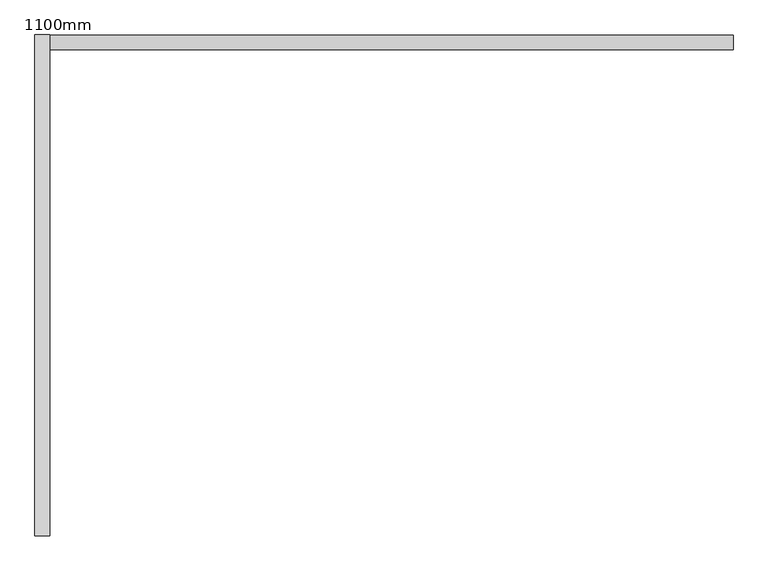
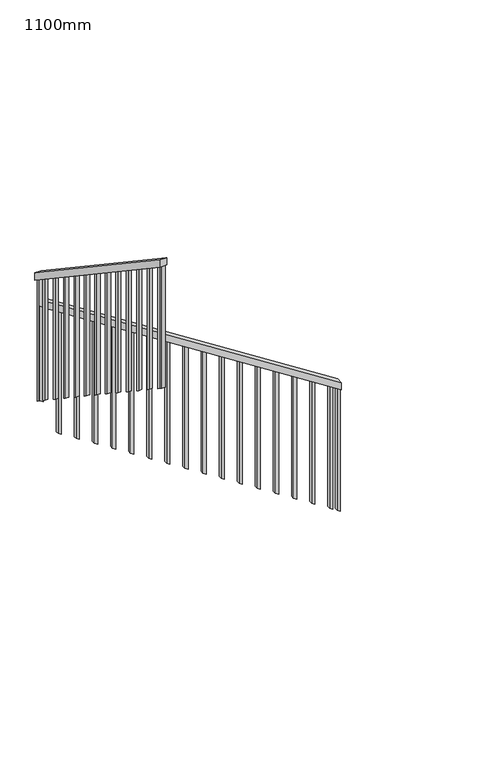
"""IFC4 building model written with IfcOpenShell, lengths in millimetres: railing geometry, 1100mm."""

from ifc_helpers import new_model, si_unit, frame, origin, place, context, project, spatial, polyline, outline, extrude, source, transform, mapped, element, save


def railing_1100mm_c1695242(model_context):
    return source(origin(), model_context, "Body", "SweptSolid", [
        extrude(outline(polyline([(1228.1090522, -6426.1615076), (1287.5, -6426.1615076), (2755.4487179, -8716.1615076), (2696.0577701, -8716.1615076), (1228.1090522, -6426.1615076)])), frame((0.0, 12937.5886579, 0.0), z_axis=(0.0, 1.0, 0.0), x_axis=(0.0, 0.0, 1.0)), (0.0, 0.0, 1.0), 50.0),
        extrude(outline(polyline([(12987.5886579, 2975.0), (12987.5886579, 2914.8248067), (11307.5886579, 4039.8248067), (11307.5886579, 4100.0), (12987.5886579, 2975.0)])), frame((-8766.1615076, 0.0, 0.0), z_axis=(1.0, 0.0, 0.0), x_axis=(0.0, 1.0, 0.0)), (0.0, 0.0, 1.0), 50.0),
        extrude(outline(polyline([(11365.0886579, 3007.3975303), (11340.0886579, 3024.1386017), (11340.0886579, 4018.0614138), (11365.0886579, 4001.3203424), (11365.0886579, 3007.3975303)])), frame((-8753.6615076, 0.0, 0.0), z_axis=(1.0, 0.0, 0.0), x_axis=(0.0, 1.0, 0.0)), (0.0, 0.0, 1.0), 25.0),
        extrude(outline(polyline([(11505.0886579, 2913.6475303), (11480.0886579, 2930.3886017), (11480.0886579, 3924.3114138), (11505.0886579, 3907.5703424), (11505.0886579, 2913.6475303)])), frame((-8753.6615076, 0.0, 0.0), z_axis=(1.0, 0.0, 0.0), x_axis=(0.0, 1.0, 0.0)), (0.0, 0.0, 1.0), 25.0),
        extrude(outline(polyline([(11645.0886579, 2819.8975303), (11620.0886579, 2836.6386017), (11620.0886579, 3830.5614138), (11645.0886579, 3813.8203424), (11645.0886579, 2819.8975303)])), frame((-8753.6615076, 0.0, 0.0), z_axis=(1.0, 0.0, 0.0), x_axis=(0.0, 1.0, 0.0)), (0.0, 0.0, 1.0), 25.0),
        extrude(outline(polyline([(11785.0886579, 2726.1475303), (11760.0886579, 2742.8886017), (11760.0886579, 3736.8114138), (11785.0886579, 3720.0703424), (11785.0886579, 2726.1475303)])), frame((-8753.6615076, 0.0, 0.0), z_axis=(1.0, 0.0, 0.0), x_axis=(0.0, 1.0, 0.0)), (0.0, 0.0, 1.0), 25.0),
        extrude(outline(polyline([(11925.0886579, 2632.3975303), (11900.0886579, 2649.1386017), (11900.0886579, 3643.0614138), (11925.0886579, 3626.3203424), (11925.0886579, 2632.3975303)])), frame((-8753.6615076, 0.0, 0.0), z_axis=(1.0, 0.0, 0.0), x_axis=(0.0, 1.0, 0.0)), (0.0, 0.0, 1.0), 25.0),
        extrude(outline(polyline([(12065.0886579, 2538.6475303), (12040.0886579, 2555.3886017), (12040.0886579, 3549.3114138), (12065.0886579, 3532.5703424), (12065.0886579, 2538.6475303)])), frame((-8753.6615076, 0.0, 0.0), z_axis=(1.0, 0.0, 0.0), x_axis=(0.0, 1.0, 0.0)), (0.0, 0.0, 1.0), 25.0),
        extrude(outline(polyline([(12205.0886579, 2444.8975303), (12180.0886579, 2461.6386017), (12180.0886579, 3455.5614138), (12205.0886579, 3438.8203424), (12205.0886579, 2444.8975303)])), frame((-8753.6615076, 0.0, 0.0), z_axis=(1.0, 0.0, 0.0), x_axis=(0.0, 1.0, 0.0)), (0.0, 0.0, 1.0), 25.0),
        extrude(outline(polyline([(12345.0886579, 2351.1475303), (12320.0886579, 2367.8886017), (12320.0886579, 3361.8114138), (12345.0886579, 3345.0703424), (12345.0886579, 2351.1475303)])), frame((-8753.6615076, 0.0, 0.0), z_axis=(1.0, 0.0, 0.0), x_axis=(0.0, 1.0, 0.0)), (0.0, 0.0, 1.0), 25.0),
        extrude(outline(polyline([(12485.0886579, 2257.3975303), (12460.0886579, 2274.1386017), (12460.0886579, 3268.0614138), (12485.0886579, 3251.3203424), (12485.0886579, 2257.3975303)])), frame((-8753.6615076, 0.0, 0.0), z_axis=(1.0, 0.0, 0.0), x_axis=(0.0, 1.0, 0.0)), (0.0, 0.0, 1.0), 25.0),
        extrude(outline(polyline([(12625.0886579, 2163.6475303), (12600.0886579, 2180.3886017), (12600.0886579, 3174.3114138), (12625.0886579, 3157.5703424), (12625.0886579, 2163.6475303)])), frame((-8753.6615076, 0.0, 0.0), z_axis=(1.0, 0.0, 0.0), x_axis=(0.0, 1.0, 0.0)), (0.0, 0.0, 1.0), 25.0),
        extrude(outline(polyline([(12765.0886579, 2069.8975303), (12740.0886579, 2086.6386017), (12740.0886579, 3080.5614138), (12765.0886579, 3063.8203424), (12765.0886579, 2069.8975303)])), frame((-8753.6615076, 0.0, 0.0), z_axis=(1.0, 0.0, 0.0), x_axis=(0.0, 1.0, 0.0)), (0.0, 0.0, 1.0), 25.0),
        extrude(outline(polyline([(12905.0886579, 1976.1475303), (12880.0886579, 1992.8886017), (12880.0886579, 2986.8114138), (12905.0886579, 2970.0703424), (12905.0886579, 1976.1475303)])), frame((-8753.6615076, 0.0, 0.0), z_axis=(1.0, 0.0, 0.0), x_axis=(0.0, 1.0, 0.0)), (0.0, 0.0, 1.0), 25.0),
        extrude(outline(polyline([(2700.8654625, -8723.6615076), (2716.8911035, -8748.6615076), (1946.0136017, -8748.6615076), (1929.2725303, -8723.6615076), (2700.8654625, -8723.6615076)])), frame((0.0, 12950.0886579, 0.0), z_axis=(0.0, 1.0, 0.0), x_axis=(0.0, 0.0, 1.0)), (0.0, 0.0, 1.0), 25.0),
        extrude(outline(polyline([(2611.1218727, -8583.6615076), (2627.1475137, -8608.6615076), (1629.1944857, -8608.6615076), (1613.1688447, -8583.6615076), (2611.1218727, -8583.6615076)])), frame((0.0, 12950.0886579, 0.0), z_axis=(0.0, 1.0, 0.0), x_axis=(0.0, 0.0, 1.0)), (0.0, 0.0, 1.0), 25.0),
        extrude(outline(polyline([(2521.378283, -8443.6615076), (2537.403924, -8468.6615076), (1539.450896, -8468.6615076), (1523.425255, -8443.6615076), (2521.378283, -8443.6615076)])), frame((0.0, 12950.0886579, 0.0), z_axis=(0.0, 1.0, 0.0), x_axis=(0.0, 0.0, 1.0)), (0.0, 0.0, 1.0), 25.0),
        extrude(outline(polyline([(2431.6346932, -8303.6615076), (2447.6603342, -8328.6615076), (1449.7073062, -8328.6615076), (1433.6816652, -8303.6615076), (2431.6346932, -8303.6615076)])), frame((0.0, 12950.0886579, 0.0), z_axis=(0.0, 1.0, 0.0), x_axis=(0.0, 0.0, 1.0)), (0.0, 0.0, 1.0), 25.0),
        extrude(outline(polyline([(2341.8911035, -8163.6615076), (2357.9167445, -8188.6615076), (1359.9637165, -8188.6615076), (1343.9380755, -8163.6615076), (2341.8911035, -8163.6615076)])), frame((0.0, 12950.0886579, 0.0), z_axis=(0.0, 1.0, 0.0), x_axis=(0.0, 0.0, 1.0)), (0.0, 0.0, 1.0), 25.0),
        extrude(outline(polyline([(2252.1475137, -8023.6615076), (2268.1731548, -8048.6615076), (1270.2201268, -8048.6615076), (1254.1944857, -8023.6615076), (2252.1475137, -8023.6615076)])), frame((0.0, 12950.0886579, 0.0), z_axis=(0.0, 1.0, 0.0), x_axis=(0.0, 0.0, 1.0)), (0.0, 0.0, 1.0), 25.0),
        extrude(outline(polyline([(2162.403924, -7883.6615076), (2178.429565, -7908.6615076), (1180.476537, -7908.6615076), (1164.450896, -7883.6615076), (2162.403924, -7883.6615076)])), frame((0.0, 12950.0886579, 0.0), z_axis=(0.0, 1.0, 0.0), x_axis=(0.0, 0.0, 1.0)), (0.0, 0.0, 1.0), 25.0),
        extrude(outline(polyline([(2072.6603342, -7743.6615076), (2088.6859753, -7768.6615076), (1090.7329473, -7768.6615076), (1074.7073062, -7743.6615076), (2072.6603342, -7743.6615076)])), frame((0.0, 12950.0886579, 0.0), z_axis=(0.0, 1.0, 0.0), x_axis=(0.0, 0.0, 1.0)), (0.0, 0.0, 1.0), 25.0),
        extrude(outline(polyline([(1982.9167445, -7603.6615076), (1998.9423855, -7628.6615076), (1000.9893575, -7628.6615076), (984.9637165, -7603.6615076), (1982.9167445, -7603.6615076)])), frame((0.0, 12950.0886579, 0.0), z_axis=(0.0, 1.0, 0.0), x_axis=(0.0, 0.0, 1.0)), (0.0, 0.0, 1.0), 25.0),
        extrude(outline(polyline([(1893.1731548, -7463.6615076), (1909.1987958, -7488.6615076), (911.2457678, -7488.6615076), (895.2201268, -7463.6615076), (1893.1731548, -7463.6615076)])), frame((0.0, 12950.0886579, 0.0), z_axis=(0.0, 1.0, 0.0), x_axis=(0.0, 0.0, 1.0)), (0.0, 0.0, 1.0), 25.0),
        extrude(outline(polyline([(1803.429565, -7323.6615076), (1819.455206, -7348.6615076), (821.502178, -7348.6615076), (805.476537, -7323.6615076), (1803.429565, -7323.6615076)])), frame((0.0, 12950.0886579, 0.0), z_axis=(0.0, 1.0, 0.0), x_axis=(0.0, 0.0, 1.0)), (0.0, 0.0, 1.0), 25.0),
        extrude(outline(polyline([(1713.6859753, -7183.6615076), (1729.7116163, -7208.6615076), (731.7585883, -7208.6615076), (715.7329473, -7183.6615076), (1713.6859753, -7183.6615076)])), frame((0.0, 12950.0886579, 0.0), z_axis=(0.0, 1.0, 0.0), x_axis=(0.0, 0.0, 1.0)), (0.0, 0.0, 1.0), 25.0),
        extrude(outline(polyline([(1623.9423855, -7043.6615076), (1639.9680266, -7068.6615076), (642.0149985, -7068.6615076), (625.9893575, -7043.6615076), (1623.9423855, -7043.6615076)])), frame((0.0, 12950.0886579, 0.0), z_axis=(0.0, 1.0, 0.0), x_axis=(0.0, 0.0, 1.0)), (0.0, 0.0, 1.0), 25.0),
        extrude(outline(polyline([(1534.1987958, -6903.6615076), (1550.2244368, -6928.6615076), (552.2714088, -6928.6615076), (536.2457678, -6903.6615076), (1534.1987958, -6903.6615076)])), frame((0.0, 12950.0886579, 0.0), z_axis=(0.0, 1.0, 0.0), x_axis=(0.0, 0.0, 1.0)), (0.0, 0.0, 1.0), 25.0),
        extrude(outline(polyline([(1444.455206, -6763.6615076), (1460.4808471, -6788.6615076), (462.5278191, -6788.6615076), (446.502178, -6763.6615076), (1444.455206, -6763.6615076)])), frame((0.0, 12950.0886579, 0.0), z_axis=(0.0, 1.0, 0.0), x_axis=(0.0, 0.0, 1.0)), (0.0, 0.0, 1.0), 25.0),
        extrude(outline(polyline([(1354.7116163, -6623.6615076), (1370.7372573, -6648.6615076), (372.7842293, -6648.6615076), (356.7585883, -6623.6615076), (1354.7116163, -6623.6615076)])), frame((0.0, 12950.0886579, 0.0), z_axis=(0.0, 1.0, 0.0), x_axis=(0.0, 0.0, 1.0)), (0.0, 0.0, 1.0), 25.0),
        extrude(outline(polyline([(1264.9680266, -6483.6615076), (1280.9936676, -6508.6615076), (283.0406396, -6508.6615076), (267.0149985, -6483.6615076), (1264.9680266, -6483.6615076)])), frame((0.0, 12950.0886579, 0.0), z_axis=(0.0, 1.0, 0.0), x_axis=(0.0, 0.0, 1.0)), (0.0, 0.0, 1.0), 25.0),
        extrude(outline(polyline([(12975.0886579, 1929.2725303), (12950.0886579, 1946.0136017), (12950.0886579, 2939.9364138), (12975.0886579, 2923.1953424), (12975.0886579, 1929.2725303)])), frame((-8753.6615076, 0.0, 0.0), z_axis=(1.0, 0.0, 0.0), x_axis=(0.0, 1.0, 0.0)), (0.0, 0.0, 1.0), 25.0),
        extrude(outline(polyline([(11332.5886579, 3029.1609231), (11307.5886579, 3045.9019945), (11307.5886579, 4039.8248067), (11332.5886579, 4023.0837353), (11332.5886579, 3029.1609231)])), frame((-8753.6615076, 0.0, 0.0), z_axis=(1.0, 0.0, 0.0), x_axis=(0.0, 1.0, 0.0)), (0.0, 0.0, 1.0), 25.0),
        extrude(outline(polyline([(1228.1090522, -6426.1615076), (1244.1346932, -6451.1615076), (246.1816652, -6451.1615076), (230.1560242, -6426.1615076), (1228.1090522, -6426.1615076)])), frame((0.0, 12950.0886579, 0.0), z_axis=(0.0, 1.0, 0.0), x_axis=(0.0, 0.0, 1.0)), (0.0, 0.0, 1.0), 25.0),
    ])


if __name__ == "__main__":
    model = new_model("IFC4")
    model_context = context("Model", 3, world=origin())
    ifc_project = project(units=[si_unit("LENGTHUNIT", "METRE", prefix="MILLI")], contexts=[model_context])
    site = spatial("IfcSite", under=ifc_project)
    building = spatial("IfcBuilding", under=site)
    placement = place(None, origin())
    railing_1100mm_shape = railing_1100mm_c1695242(model_context)
    element("IfcRailing", 1, ObjectType="1100mm", at=placement, inside=building, context=model_context, shape_type="MappedRepresentation", body=[
        mapped(railing_1100mm_shape, transform((0.0, 0.0, 0.0), x_axis=(1.0, 0.0, 0.0), y_axis=(0.0, 1.0, 0.0), z_axis=(0.0, 0.0, 1.0))),
    ])
    save(model, "model.ifc")
